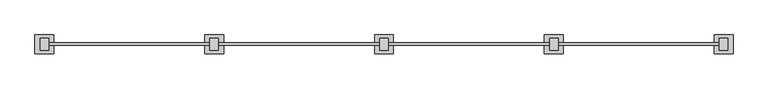
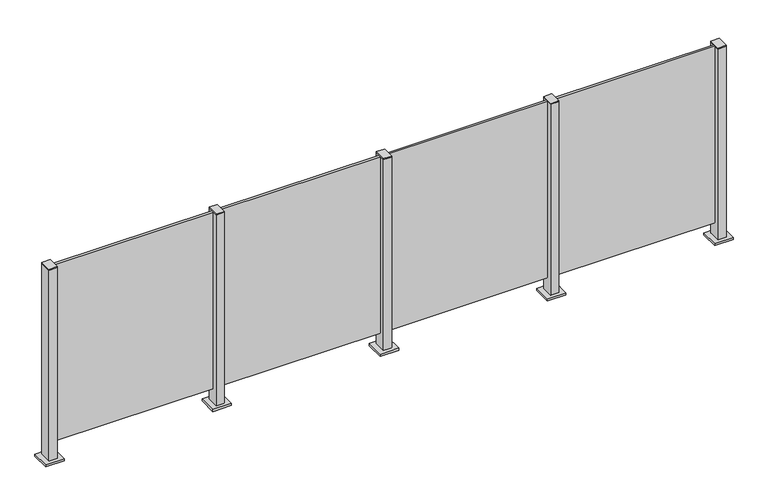
"""IFC4 building model written with IfcOpenShell, lengths in millimetres: railing geometry."""

from ifc_helpers import new_model, si_unit, frame, origin, origin_with_axes, place, context, project, spatial, polyline, outline, extrude, source, transform, mapped, element, save


def railing_77b5e513(model_context):
    return source(origin(), model_context, "Body", "SweptSolid", [
        extrude(outline(polyline([(38710.0, 5007.5598727), (39590.0, 5007.5598727), (39590.0, 4994.3598727), (38710.0, 4994.3598727), (38710.0, 5007.5598727)])), frame((0.0, 0.0, 95.0), z_axis=(0.0, 0.0, 1.0), x_axis=(1.0, 0.0, 0.0)), (0.0, 0.0, 1.0), 1005.0),
        extrude(outline(polyline([(38722.5, 4967.6846828), (38677.5, 4967.6846828), (38677.5, 5032.6846828), (38722.5, 5032.6846828), (38722.5, 4967.6846828)])), frame((0.0, 0.0, 1100.0), z_axis=(0.0, 0.0, 1.0), x_axis=(1.0, 0.0, 0.0)), (0.0, 0.0, 1.0), 5.0),
        extrude(outline(polyline([(38750.0, 4950.1846828), (38650.0, 4950.1846828), (38650.0, 5050.1846828), (38750.0, 5050.1846828), (38750.0, 4950.1846828)])), origin_with_axes(), (0.0, 0.0, 1.0), 12.0),
        extrude(outline(polyline([(38722.5, 4967.6846828), (38677.5, 4967.6846828), (38677.5, 5032.6846828), (38722.5, 5032.6846828), (38722.5, 4967.6846828)])), frame((0.0, 0.0, 12.0), z_axis=(0.0, 0.0, 1.0), x_axis=(1.0, 0.0, 0.0)), (0.0, 0.0, 1.0), 1088.0),
        extrude(outline(polyline([(37810.0, 5007.5598727), (38690.0, 5007.5598727), (38690.0, 4994.3598727), (37810.0, 4994.3598727), (37810.0, 5007.5598727)])), frame((0.0, 0.0, 95.0), z_axis=(0.0, 0.0, 1.0), x_axis=(1.0, 0.0, 0.0)), (0.0, 0.0, 1.0), 1005.0),
        extrude(outline(polyline([(37822.5, 4967.6846828), (37777.5, 4967.6846828), (37777.5, 5032.6846828), (37822.5, 5032.6846828), (37822.5, 4967.6846828)])), frame((0.0, 0.0, 1100.0), z_axis=(0.0, 0.0, 1.0), x_axis=(1.0, 0.0, 0.0)), (0.0, 0.0, 1.0), 5.0),
        extrude(outline(polyline([(37850.0, 4950.1846828), (37750.0, 4950.1846828), (37750.0, 5050.1846828), (37850.0, 5050.1846828), (37850.0, 4950.1846828)])), origin_with_axes(), (0.0, 0.0, 1.0), 12.0),
        extrude(outline(polyline([(37822.5, 4967.6846828), (37777.5, 4967.6846828), (37777.5, 5032.6846828), (37822.5, 5032.6846828), (37822.5, 4967.6846828)])), frame((0.0, 0.0, 12.0), z_axis=(0.0, 0.0, 1.0), x_axis=(1.0, 0.0, 0.0)), (0.0, 0.0, 1.0), 1088.0),
        extrude(outline(polyline([(36910.0, 5007.5598727), (37790.0, 5007.5598727), (37790.0, 4994.3598727), (36910.0, 4994.3598727), (36910.0, 5007.5598727)])), frame((0.0, 0.0, 95.0), z_axis=(0.0, 0.0, 1.0), x_axis=(1.0, 0.0, 0.0)), (0.0, 0.0, 1.0), 1005.0),
        extrude(outline(polyline([(36922.5, 4967.6846828), (36877.5, 4967.6846828), (36877.5, 5032.6846828), (36922.5, 5032.6846828), (36922.5, 4967.6846828)])), frame((0.0, 0.0, 1100.0), z_axis=(0.0, 0.0, 1.0), x_axis=(1.0, 0.0, 0.0)), (0.0, 0.0, 1.0), 5.0),
        extrude(outline(polyline([(36950.0, 4950.1846828), (36850.0, 4950.1846828), (36850.0, 5050.1846828), (36950.0, 5050.1846828), (36950.0, 4950.1846828)])), origin_with_axes(), (0.0, 0.0, 1.0), 12.0),
        extrude(outline(polyline([(36922.5, 4967.6846828), (36877.5, 4967.6846828), (36877.5, 5032.6846828), (36922.5, 5032.6846828), (36922.5, 4967.6846828)])), frame((0.0, 0.0, 12.0), z_axis=(0.0, 0.0, 1.0), x_axis=(1.0, 0.0, 0.0)), (0.0, 0.0, 1.0), 1088.0),
        extrude(outline(polyline([(36010.0, 5007.5598727), (36890.0, 5007.5598727), (36890.0, 4994.3598727), (36010.0, 4994.3598727), (36010.0, 5007.5598727)])), frame((0.0, 0.0, 95.0), z_axis=(0.0, 0.0, 1.0), x_axis=(1.0, 0.0, 0.0)), (0.0, 0.0, 1.0), 1005.0),
        extrude(outline(polyline([(39622.5, 4967.6846828), (39577.5, 4967.6846828), (39577.5, 5032.6846828), (39622.5, 5032.6846828), (39622.5, 4967.6846828)])), frame((0.0, 0.0, 1100.0), z_axis=(0.0, 0.0, 1.0), x_axis=(1.0, 0.0, 0.0)), (0.0, 0.0, 1.0), 5.0),
        extrude(outline(polyline([(39650.0, 4950.1846828), (39550.0, 4950.1846828), (39550.0, 5050.1846828), (39650.0, 5050.1846828), (39650.0, 4950.1846828)])), origin_with_axes(), (0.0, 0.0, 1.0), 12.0),
        extrude(outline(polyline([(39622.5, 4967.6846828), (39577.5, 4967.6846828), (39577.5, 5032.6846828), (39622.5, 5032.6846828), (39622.5, 4967.6846828)])), frame((0.0, 0.0, 12.0), z_axis=(0.0, 0.0, 1.0), x_axis=(1.0, 0.0, 0.0)), (0.0, 0.0, 1.0), 1088.0),
        extrude(outline(polyline([(36022.5, 4967.6846828), (35977.5, 4967.6846828), (35977.5, 5032.6846828), (36022.5, 5032.6846828), (36022.5, 4967.6846828)])), frame((0.0, 0.0, 1100.0), z_axis=(0.0, 0.0, 1.0), x_axis=(1.0, 0.0, 0.0)), (0.0, 0.0, 1.0), 5.0),
        extrude(outline(polyline([(36050.0, 4950.1846828), (35950.0, 4950.1846828), (35950.0, 5050.1846828), (36050.0, 5050.1846828), (36050.0, 4950.1846828)])), origin_with_axes(), (0.0, 0.0, 1.0), 12.0),
        extrude(outline(polyline([(36022.5, 4967.6846828), (35977.5, 4967.6846828), (35977.5, 5032.6846828), (36022.5, 5032.6846828), (36022.5, 4967.6846828)])), frame((0.0, 0.0, 12.0), z_axis=(0.0, 0.0, 1.0), x_axis=(1.0, 0.0, 0.0)), (0.0, 0.0, 1.0), 1088.0),
    ])


if __name__ == "__main__":
    model = new_model("IFC4")
    model_context = context("Model", 3, world=origin())
    ifc_project = project(units=[si_unit("LENGTHUNIT", "METRE", prefix="MILLI")], contexts=[model_context])
    site = spatial("IfcSite", under=ifc_project)
    building = spatial("IfcBuilding", under=site)
    placement = place(None, origin())
    railing_shape = railing_77b5e513(model_context)
    element("IfcRailing", 1, at=placement, inside=building, context=model_context, shape_type="MappedRepresentation", body=[
        mapped(railing_shape, transform((0.0, 0.0, 0.0), x_axis=(1.0, 0.0, 0.0), y_axis=(0.0, 1.0, 0.0), z_axis=(0.0, 0.0, 1.0))),
    ])
    save(model, "model.ifc")
